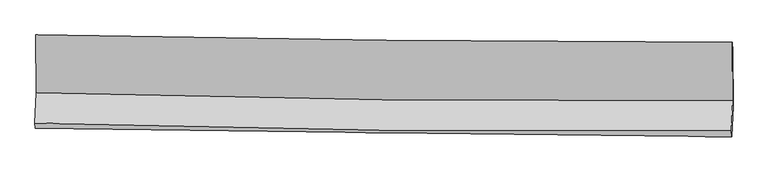
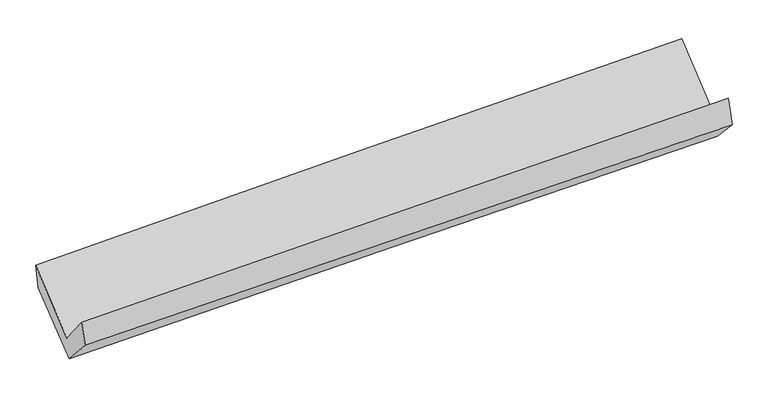
"""IFC4 building model written with IfcOpenShell, lengths in millimetres: proxy geometry."""

from ifc_helpers import new_model, si_unit, frame, origin, place, context, project, spatial, source, transform, mapped, element, save
from ifc_brep_helpers import plane_surface, spline_curve, spline_surface, advanced_brep


def generic_models_dfb9ee0b(model_context):
    return source(origin(), model_context, "Body", "AdvancedBrep", [
        advanced_brep(
        [(-3048.6554897, -1164.9219526, 2159.4870273), (-3043.971886, -1669.2127647, 1736.1311991), (3034.431584, -1739.0555815, 1904.1146878), (3031.5496128, -1227.738197, 2333.4323824), (-3054.7392875, -1933.8112036, 2056.6939689), (3024.0701294, -1996.8861402, 2211.1213337), (-3050.2703784, -1979.3671699, 1852.4257239), (3028.589897, -2054.2440806, 1977.022866), (-3039.7161827, -1703.3140931, 1545.8627021), (3038.3728041, -1791.1830595, 1698.7361187), (-3044.1246102, -1200.7812514, 1957.120577), (3035.8565253, -1302.0434765, 2098.7680645)],
        [
            (0, 1),
            (1, 2, spline_curve(3, [(-3043.971886, -1669.2127647, 1736.1311991), (-2031.135859575, -1698.830615705, 1771.686603412), (-1018.087968653, -1719.459174439, 1803.464871187), (1008.046682509, -1742.733285887, 1859.456498507), (2021.133281479, -1745.385666361, 1883.672727169), (3034.431584, -1739.0555815, 1904.1146878)], [4, 2, 4], [0.0, 9.979426134378564, 19.955061841531215])),
            (2, 3),
            (3, 0, spline_curve(3, [(3031.5496128, -1227.738197, 2333.4323824), (2017.908106513, -1227.660424616, 2318.360290176), (1004.499794184, -1222.388832121, 2296.332872496), (-1022.235417203, -1201.454031952, 2238.356374375), (-2035.562139115, -1185.786875887, 2202.402006572), (-3048.6554897, -1164.9219526, 2159.4870273)], [4, 2, 4], [0.0, 9.975635707152652, 19.955061841531215])),
            (1, 4),
            (4, 5, spline_curve(3, [(-3054.7392875, -1933.8112036, 2056.6939689), (-2042.113373983, -1964.357510611, 2100.834431412), (-1029.136677902, -1984.886004869, 2135.774306568), (997.133394235, -2005.903375121, 2187.243107228), (2010.426503569, -2006.39985979, 2203.779019928), (3024.0701294, -1996.8861402, 2211.1213337)], [4, 2, 4], [0.0, 9.978206229682286, 19.952622495487944])),
            (5, 2),
            (4, 6),
            (6, 7, spline_curve(3, [(-3050.2703784, -1979.3671699, 1852.4257239), (-2036.971021464, -1991.897688213, 1874.048440692), (-1023.653427363, -2004.403870731, 1895.244785587), (1002.633344924, -2029.362822162, 1936.776842676), (2015.602509466, -2041.815610377, 1957.112878337), (3028.589897, -2054.2440806, 1977.022866)], [4, 2, 4], [0.0, 9.977275614795744, 19.950761619184885])),
            (7, 5),
            (6, 8),
            (8, 9, spline_curve(3, [(-3039.7161827, -1703.3140931, 1545.8627021), (-2026.65267443, -1717.750367671, 1576.767865955), (-1013.517280978, -1732.29232978, 1604.961804458), (1012.512435967, -1761.582065288, 1655.917550792), (2025.406704883, -1776.329758631, 1678.681417913), (3038.3728041, -1791.1830595, 1698.7361187)], [4, 2, 4], [0.0, 9.97664988477916, 19.9495103968191])),
            (9, 7),
            (8, 10),
            (10, 11, spline_curve(3, [(-3044.1246102, -1200.7812514, 1957.120577), (-2030.686586287, -1222.011486447, 1982.314018276), (-1017.206231357, -1241.066312746, 2006.716788381), (1009.454179146, -1274.818735243, 2053.932016973), (2022.634202785, -1289.517984406, 2076.745076092), (3035.8565253, -1302.0434765, 2098.7680645)], [4, 2, 4], [0.0, 9.978220669887559, 19.952651370413754])),
            (11, 9),
            (10, 0),
            (3, 11),
        ],
        [
            spline_surface(3, 3, [[(-3048.6554897, -1164.9219526, 2159.4870273), (-2035.562139056, -1185.786875945, 2202.402006702), (-1022.235417222, -1201.454031825, 2238.356374226), (1004.499794203, -1222.388832248, 2296.332872645), (2017.908106512, -1227.660424471, 2318.360290157), (3031.5496128, -1227.738197, 2333.4323824)], [(-3047.094288465, -1333.018889949, 2018.368417888), (-2034.086712559, -1356.801455872, 2058.830205552), (-1020.852934308, -1374.122412665, 2093.392539877), (1005.682090286, -1395.836983461, 2150.707414644), (2018.983164791, -1400.235505039, 2173.464435752), (3032.510269876, -1398.177325148, 2190.326484173)], [(-3045.533087235, -1501.115827351, 1877.249808512), (-2032.611286068, -1527.816035853, 1915.258404439), (-1019.470451451, -1546.790793552, 1948.428705463), (1006.864386311, -1569.285134721, 2005.08195658), (2020.058223043, -1572.810585662, 2028.568581427), (3033.470926924, -1568.616453352, 2047.220586027)], [(-3043.971886, -1669.2127647, 1736.1311991), (-2031.13585957, -1698.830615781, 1771.686603289), (-1018.087968537, -1719.459174391, 1803.464871113), (1008.046682394, -1742.733285934, 1859.45649858), (2021.133281322, -1745.385666229, 1883.672727022), (3034.431584, -1739.0555815, 1904.1146878)]], [4, 4], [4, 2, 4], [0.0, 2.224088333073092], [0.0, 9.979426134378564, 19.955061841531215]),
            spline_surface(3, 3, [[(-3043.971886, -1669.2127647, 1736.1311991), (-2031.13585957, -1698.830615781, 1771.686603289), (-1018.087968537, -1719.459174391, 1803.464871113), (1008.046682394, -1742.733285934, 1859.45649858), (2021.133281322, -1745.385666229, 1883.672727022), (3034.431584, -1739.0555815, 1904.1146878)], [(-3047.561019814, -1757.412244348, 1842.985455687), (-2034.795031075, -1787.339580767, 1881.40254595), (-1021.770871653, -1807.934784554, 1914.234682963), (1004.408919642, -1830.456649015, 1968.718701407), (2017.564355375, -1832.390397441, 1990.374824681), (3030.977765769, -1824.999101068, 2006.450236452)], [(-3051.150153686, -1845.611723952, 1949.839712313), (-2038.454202639, -1875.848545708, 1991.118488649), (-1025.453774728, -1896.410394683, 2025.004494849), (1000.77115693, -1918.180012062, 2077.980904271), (2013.995429523, -1919.395128646, 2097.076922285), (3027.523947631, -1910.942620632, 2108.785785048)], [(-3054.7392875, -1933.8112036, 2056.6939689), (-2042.113374144, -1964.357510695, 2100.83443131), (-1029.136677845, -1984.886004846, 2135.774306699), (997.133394178, -2005.903375143, 2187.243107097), (2010.426503576, -2006.399859858, 2203.779019944), (3024.0701294, -1996.8861402, 2211.1213337)]], [4, 4], [4, 2, 4], [0.0, 1.3877089816120476], [0.0, 9.978206229682286, 19.952622495487944]),
            spline_surface(3, 3, [[(-3054.7392875, -1933.8112036, 2056.6939689), (-2042.113374144, -1964.357510695, 2100.83443131), (-1029.136677845, -1984.886004846, 2135.774306699), (997.133394178, -2005.903375143, 2187.243107097), (2010.426503576, -2006.399859858, 2203.779019944), (3024.0701294, -1996.8861402, 2211.1213337)], [(-3053.249651141, -1948.996525697, 1988.604553897), (-2040.399256556, -1973.537569875, 2025.239101156), (-1027.308927688, -1991.391960081, 2055.59779972), (998.966711093, -2013.723190865, 2103.754352276), (2012.151838871, -2018.205109981, 2121.556972754), (3025.576718605, -2016.005453668, 2133.088511116)], [(-3051.760014759, -1964.181847803, 1920.515138903), (-2038.685138945, -1982.717629065, 1949.643771011), (-1025.481177525, -1997.897915334, 1975.421292675), (1000.800028015, -2021.543006603, 2020.265597388), (2013.87717415, -2030.0103601, 2039.334925616), (3027.083307795, -2035.124767132, 2055.055688584)], [(-3050.2703784, -1979.3671699, 1852.4257239), (-2036.971021357, -1991.897688246, 1874.048440857), (-1023.653427369, -2004.403870569, 1895.244785696), (1002.63334493, -2029.362822324, 1936.776842566), (2015.602509446, -2041.815610224, 1957.112878425), (3028.589897, -2054.2440806, 1977.022866)]], [4, 4], [4, 2, 4], [0.0, 0.8087132317653224], [0.0, 9.977275614795744, 19.950761619184885]),
            spline_surface(3, 3, [[(-3050.2703784, -1979.3671699, 1852.4257239), (-2036.971021357, -1991.897688246, 1874.048440857), (-1023.653427369, -2004.403870569, 1895.244785696), (1002.63334493, -2029.362822324, 1936.776842566), (2015.602509446, -2041.815610224, 1957.112878425), (3028.589897, -2054.2440806, 1977.022866)], [(-3046.752313188, -1887.349477629, 1750.238049996), (-2033.531572388, -1900.515248027, 1774.95491597), (-1020.274711876, -1913.700023594, 1798.483791941), (1005.926375283, -1940.102570012, 1843.157078632), (2018.870574552, -1953.320326414, 1864.302391634), (3031.850866045, -1966.557073566, 1884.260616918)], [(-3043.234247912, -1795.331785371, 1648.050376004), (-2030.092123355, -1809.13280782, 1675.861390995), (-1016.895996438, -1822.996176637, 1701.722798213), (1009.219405581, -1850.842317719, 1749.537314726), (2022.138639624, -1864.825042606, 1771.491904789), (3035.111835055, -1878.870066534, 1791.498367782)], [(-3039.7161827, -1703.3140931, 1545.8627021), (-2026.652674386, -1717.750367601, 1576.767866108), (-1013.517280945, -1732.292329662, 1604.961804457), (1012.512435933, -1761.582065407, 1655.917550793), (2025.40670473, -1776.329758796, 1678.681417998), (3038.3728041, -1791.1830595, 1698.7361187)]], [4, 4], [4, 2, 4], [0.0, 1.2896806666282634], [0.0, 9.97664988477916, 19.9495103968191]),
            spline_surface(3, 3, [[(-3039.7161827, -1703.3140931, 1545.8627021), (-2026.652674386, -1717.750367601, 1576.767866108), (-1013.517280945, -1732.292329662, 1604.961804457), (1012.512435933, -1761.582065407, 1655.917550793), (2025.40670473, -1776.329758796, 1678.681417998), (3038.3728041, -1791.1830595, 1698.7361187)], [(-3041.185658528, -1535.80314586, 1682.948660403), (-2027.997311652, -1552.504073912, 1711.949916866), (-1014.746931129, -1568.550323978, 1738.880132427), (1011.493017012, -1599.327622078, 1788.58903953), (2024.482537474, -1614.059167318, 1811.369304069), (3037.53404451, -1628.136531827, 1832.080100636)], [(-3042.655134372, -1368.29219864, 1820.034618697), (-2029.341948933, -1387.257780245, 1847.131967617), (-1015.976581255, -1404.808318274, 1872.798460388), (1010.47359815, -1437.073178729, 1921.260528259), (2023.558370189, -1451.788575859, 1944.057190131), (3036.69528489, -1465.090004173, 1965.424082564)], [(-3044.1246102, -1200.7812514, 1957.120577), (-2030.686586198, -1222.011486556, 1982.314018376), (-1017.20623144, -1241.066312589, 2006.716788358), (1009.454179229, -1274.8187354, 2053.932016996), (2022.634202933, -1289.517984381, 2076.745076202), (3035.8565253, -1302.0434765, 2098.7680645)]], [4, 4], [4, 2, 4], [0.0, 2.072484420300497], [0.0, 9.978220669887559, 19.952651370413754]),
            spline_surface(3, 3, [[(-3044.1246102, -1200.7812514, 1957.120577), (-2030.686586198, -1222.011486556, 1982.314018376), (-1017.20623144, -1241.066312589, 2006.716788358), (1009.454179229, -1274.8187354, 2053.932016996), (2022.634202933, -1289.517984381, 2076.745076202), (3035.8565253, -1302.0434765, 2098.7680645)], [(-3045.634903364, -1188.828151817, 2024.57606043), (-2032.311770482, -1209.936616369, 2055.676681148), (-1018.882626703, -1227.862219011, 2083.929983623), (1007.802717552, -1257.342101026, 2134.732302187), (2021.058837455, -1268.898797767, 2157.283480858), (3034.420887795, -1277.275050022, 2176.989503805)], [(-3047.145196536, -1176.875052183, 2092.03154387), (-2033.936954773, -1197.861746132, 2129.03934393), (-1020.559021959, -1214.658125404, 2161.143178962), (1006.151255881, -1239.865466622, 2215.532587453), (2019.48347199, -1248.279611086, 2237.821885501), (3032.985250305, -1252.506623478, 2255.210943095)], [(-3048.6554897, -1164.9219526, 2159.4870273), (-2035.562139056, -1185.786875945, 2202.402006702), (-1022.235417222, -1201.454031825, 2238.356374226), (1004.499794203, -1222.388832248, 2296.332872645), (2017.908106512, -1227.660424471, 2318.360290157), (3031.5496128, -1227.738197, 2333.4323824)]], [4, 4], [4, 2, 4], [0.0, 0.7923092535527958], [0.0, 9.980205677962658, 19.956620632609912]),
            plane_surface(frame((3032.1450921, -1685.1917559, 2037.1992422), z_axis=(0.9996568717121905, -0.013308780662432719, 0.022561365115532528), x_axis=(-0.003982124660479801, 0.7740854547504487, 0.6330685993057779))),
            plane_surface(frame((-3046.9129724, -1608.5680725, 1884.6201997), z_axis=(-0.9996408847188364, 0.011166319519984036, -0.024360108926686094), x_axis=(0.022040678882809493, -0.17443926504465826, -0.9844212265514516))),
        ],
        [
            (0, [[1, 2, 3, 4]]),
            (1, [[5, 6, 7, -2]]),
            (2, [[8, 9, 10, -6]]),
            (3, [[11, 12, 13, -9]]),
            (4, [[14, 15, 16, -12]]),
            (5, [[17, -4, 18, -15]]),
            (6, [[-16, -18, -3, -7, -10, -13]]),
            (7, [[-17, -14, -11, -8, -5, -1]]),
        ],
    ),
    ])


if __name__ == "__main__":
    model = new_model("IFC4")
    model_context = context("Model", 3, world=origin())
    ifc_project = project(units=[si_unit("LENGTHUNIT", "METRE", prefix="MILLI")], contexts=[model_context])
    site = spatial("IfcSite", under=ifc_project)
    building = spatial("IfcBuilding", under=site)
    placement = place(None, origin())
    generic_models_shape = generic_models_dfb9ee0b(model_context)
    element("IfcBuildingElementProxy", 1, Name="Generic Models", at=placement, inside=building, context=model_context, shape_type="MappedRepresentation", body=[
        mapped(generic_models_shape, transform((0.0, 0.0, 0.0), x_axis=(1.0, 0.0, 0.0), y_axis=(0.0, 1.0, 0.0), z_axis=(0.0, 0.0, 1.0))),
    ])
    save(model, "model.ifc")
